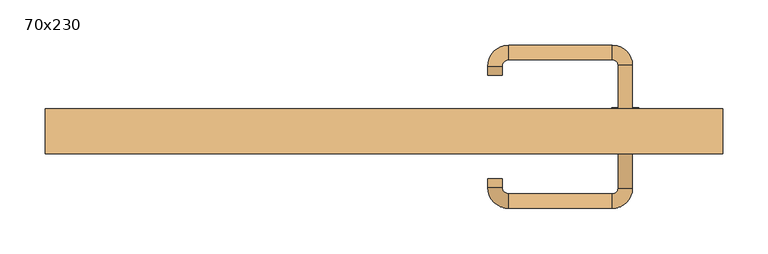
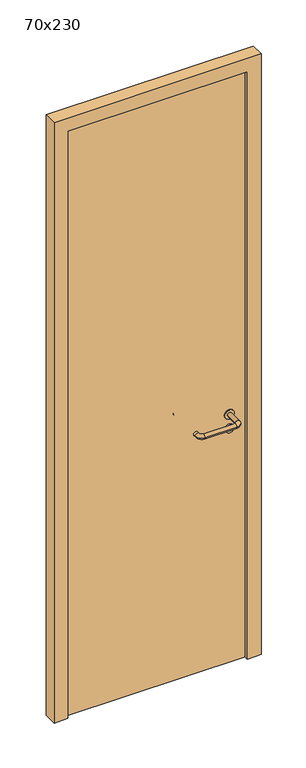
"""IFC4 building model written with IfcOpenShell, lengths in millimetres: door geometry, 70x230."""

from ifc_helpers import new_model, si_unit, point, frame, frame_2d, origin, origin_with_axes, place, context, project, spatial, polyline, circle_curve, ellipse_curve, trimmed, segment, composite_curve, outline, extrude, source, transform, mapped, element, save
from ifc_brep_helpers import plane_surface, cylinder_surface, revolved_surface, advanced_brep


def door_70x230_2275946b(model_context):
    return source(origin(), model_context, "Body", "SolidModel", [
        extrude(outline(composite_curve([segment(trimmed(circle_curve(frame_2d((897.3605726, 267.0)), 15.0), [point((897.3605726, 282.0))], [point((897.3605726, 252.0))], False, "CARTESIAN"), True, "CONTINUOUS"), segment(trimmed(circle_curve(frame_2d((897.3605726, 267.0)), 15.0), [point((897.3605726, 252.0))], [point((897.3605726, 282.0))], False, "CARTESIAN"), True, "CONTINUOUS")], self_intersect=False), holes=[composite_curve([segment(trimmed(circle_curve(frame_2d((892.5833211, 266.9398032)), 2.0), [point((892.5833211, 268.9398032))], [point((892.5833211, 264.9398032))], True, "CARTESIAN"), True, "CONTINUOUS"), segment(polyline([(892.5833211, 264.9398032), (902.5833211, 264.9398032)]), True, "CONTINUOUS"), segment(trimmed(circle_curve(frame_2d((902.5833211, 266.9398032)), 2.0), [point((902.5833211, 264.9398032))], [point((902.5833211, 268.9398032))], True, "CARTESIAN"), True, "CONTINUOUS"), segment(polyline([(902.5833211, 268.9398032), (892.5833211, 268.9398032)]), True, "CONTINUOUS")], self_intersect=False)]), frame((0.0, 18.65, 0.0), z_axis=(0.0, 1.0, 0.0), x_axis=(0.0, 0.0, 1.0)), (0.0, 0.0, 1.0), 6.35),
        extrude(outline(composite_curve([segment(trimmed(circle_curve(frame_2d((950.0, 267.0)), 17.526), [point((950.0, 284.526))], [point((950.0, 249.474))], False, "CARTESIAN"), True, "CONTINUOUS"), segment(trimmed(circle_curve(frame_2d((950.0, 267.0)), 17.526), [point((950.0, 249.474))], [point((950.0, 284.526))], False, "CARTESIAN"), True, "CONTINUOUS")], self_intersect=False)), frame((0.0, 21.825, 0.0), z_axis=(0.0, 1.0, 0.0), x_axis=(0.0, 0.0, 1.0)), (0.0, 0.0, 1.0), 3.175),
        advanced_brep(
        [(275.0, 25.0, 950.0), (259.0, 25.0, 950.0), (259.0, -28.0, 950.0), (275.0, -28.0, 950.0), (252.8578644, -34.1421356, 950.0), (252.8578644, -50.1421356, 950.0), (137.8578644, -34.1421356, 950.0), (137.8578644, -50.1421356, 950.0), (131.008622, -27.2928932, 950.0), (115.008622, -27.2928932, 950.0), (115.008622, -17.2928932, 950.0), (131.008622, -17.2928932, 950.0)],
        [
            (0, 1, circle_curve(frame((267.0, 25.0, 950.0), z_axis=(0.0, 1.0, 0.0), x_axis=(-1.0, 0.0, 0.0)), 8.0)),
            (1, 0, circle_curve(frame((267.0, 25.0, 950.0), z_axis=(0.0, 1.0, 0.0), x_axis=(-1.0, 0.0, 0.0)), 8.0)),
            (1, 2),
            (2, 3, circle_curve(frame((267.0, -28.0, 950.0), z_axis=(0.0, 1.0, 0.0), x_axis=(-1.0, 0.0, 0.0)), 8.0)),
            (3, 0),
            (3, 2, circle_curve(frame((267.0, -28.0, 950.0), z_axis=(0.0, 1.0, 0.0), x_axis=(-1.0, 0.0, 0.0)), 8.0)),
            (4, 5, circle_curve(frame((252.8578644, -42.1421356, 950.0), z_axis=(1.0, 0.0, 0.0), x_axis=(0.0, 1.0, 0.0)), 8.0)),
            (5, 3, circle_curve(frame((252.8578644, -28.0, 950.0), z_axis=(0.0, 0.0, 1.0), x_axis=(1.0, 0.0, 0.0)), 22.1421356)),
            (2, 4, circle_curve(frame((252.8578644, -28.0, 950.0), z_axis=(0.0, 0.0, -1.0), x_axis=(1.0, 0.0, 0.0)), 6.1421356)),
            (5, 4, circle_curve(frame((252.8578644, -42.1421356, 950.0), z_axis=(1.0, 0.0, 0.0), x_axis=(0.0, 1.0, 0.0)), 8.0)),
            (4, 6),
            (6, 7, circle_curve(frame((137.8578644, -42.1421356, 950.0), z_axis=(1.0, 0.0, 0.0), x_axis=(0.0, 1.0, 0.0)), 8.0)),
            (7, 5),
            (7, 6, circle_curve(frame((137.8578644, -42.1421356, 950.0), z_axis=(1.0, 0.0, 0.0), x_axis=(0.0, 1.0, 0.0)), 8.0)),
            (8, 9, circle_curve(frame((123.008622, -27.2928932, 950.0), z_axis=(0.0, -1.0, 0.0), x_axis=(1.0, 0.0, 0.0)), 8.0)),
            (9, 7, circle_curve(frame((137.8578644, -27.2928932, 950.0), z_axis=(0.0, 0.0, 1.0), x_axis=(0.0, -1.0, 0.0)), 22.8492424)),
            (6, 8, circle_curve(frame((137.8578644, -27.2928932, 950.0), z_axis=(0.0, 0.0, -1.0), x_axis=(0.0, -1.0, 0.0)), 6.8492424)),
            (9, 8, circle_curve(frame((123.008622, -27.2928932, 950.0), z_axis=(0.0, -1.0, 0.0), x_axis=(1.0, 0.0, 0.0)), 8.0)),
            (10, 11, circle_curve(frame((123.008622, -17.2928932, 950.0), z_axis=(0.0, 1.0, 0.0), x_axis=(1.0, 0.0, 0.0)), 8.0)),
            (11, 10, circle_curve(frame((123.008622, -17.2928932, 950.0), z_axis=(0.0, 1.0, 0.0), x_axis=(1.0, 0.0, 0.0)), 8.0)),
            (8, 11),
            (10, 9),
        ],
        [
            plane_surface(frame((267.0, 25.0, 170.0), z_axis=(0.0, 1.0, 0.0), x_axis=(0.0, 0.0, 1.0))),
            cylinder_surface(frame((267.0, 25.0, 950.0), z_axis=(0.0, 1.0, 0.0), x_axis=(-1.0, 0.0, 0.0)), 8.0),
            revolved_surface(trimmed(ellipse_curve(frame((267.0, -28.0, 950.0), z_axis=(0.0, -1.0, 0.0), x_axis=(-1.0, 0.0, 0.0)), 8.0, 8.0), [point((275.0, -28.0, 950.0))], [point((259.0, -28.0, 950.0))], True, "CARTESIAN"), (252.8578644, -28.0, 170.0), (0.0, 0.0, 1.0)),
            revolved_surface(trimmed(ellipse_curve(frame((267.0, -28.0, 950.0), z_axis=(0.0, -1.0, 0.0), x_axis=(-1.0, 0.0, 0.0)), 8.0, 8.0), [point((259.0, -28.0, 950.0))], [point((275.0, -28.0, 950.0))], True, "CARTESIAN"), (252.8578644, -28.0, 170.0), (0.0, 0.0, 1.0)),
            cylinder_surface(frame((252.8578644, -42.1421356, 950.0), z_axis=(1.0, 0.0, 0.0), x_axis=(0.0, 1.0, 0.0)), 8.0),
            revolved_surface(trimmed(ellipse_curve(frame((137.8578644, -42.1421356, 950.0), z_axis=(-1.0, 0.0, 0.0), x_axis=(0.0, 1.0, 0.0)), 8.0, 8.0), [point((137.8578644, -50.1421356, 950.0))], [point((137.8578644, -34.1421356, 950.0))], True, "CARTESIAN"), (137.8578644, -27.2928932, 170.0), (0.0, 0.0, 1.0)),
            revolved_surface(trimmed(ellipse_curve(frame((137.8578644, -42.1421356, 950.0), z_axis=(-1.0, 0.0, 0.0), x_axis=(0.0, 1.0, 0.0)), 8.0, 8.0), [point((137.8578644, -34.1421356, 950.0))], [point((137.8578644, -50.1421356, 950.0))], True, "CARTESIAN"), (137.8578644, -27.2928932, 170.0), (0.0, 0.0, 1.0)),
            plane_surface(frame((123.008622, -17.2928932, 170.0), z_axis=(0.0, 1.0, 0.0), x_axis=(0.0, 0.0, 1.0))),
            cylinder_surface(frame((123.008622, -27.2928932, 950.0), z_axis=(0.0, -1.0, 0.0), x_axis=(1.0, 0.0, 0.0)), 8.0),
        ],
        [
            (0, [[1, 2]]),
            (1, [[3, 4, 5, -2]]),
            (1, [[-5, 6, -3, -1]]),
            (2, [[7, 8, -4, 9]]),
            (3, [[10, -9, -6, -8]]),
            (4, [[11, 12, 13, -7]]),
            (4, [[-13, 14, -11, -10]]),
            (5, [[15, 16, -12, 17]]),
            (6, [[18, -17, -14, -16]]),
            (7, [[19, 20]]),
            (8, [[21, -19, 22, -15]]),
            (8, [[-22, -20, -21, -18]]),
        ],
    ),
        extrude(outline(composite_curve([segment(trimmed(circle_curve(frame_2d((0.0, -15.0)), 15.0), [point((0.0, -30.0))], [point((0.0, 0.0))], False, "CARTESIAN"), True, "CONTINUOUS"), segment(trimmed(circle_curve(frame_2d((0.0, -15.0)), 15.0), [point((0.0, 0.0))], [point((0.0, -30.0))], False, "CARTESIAN"), True, "CONTINUOUS")], self_intersect=False), holes=[composite_curve([segment(trimmed(circle_curve(frame_2d((4.7772515, -14.9398032)), 2.0), [point((4.7772515, -16.9398032))], [point((4.7772515, -12.9398032))], True, "CARTESIAN"), True, "CONTINUOUS"), segment(polyline([(4.7772515, -12.9398032), (-5.2227485, -12.9398032)]), True, "CONTINUOUS"), segment(trimmed(circle_curve(frame_2d((-5.2227485, -14.9398032)), 2.0), [point((-5.2227485, -12.9398032))], [point((-5.2227485, -16.9398032))], True, "CARTESIAN"), True, "CONTINUOUS"), segment(polyline([(-5.2227485, -16.9398032), (4.7772515, -16.9398032)]), True, "CONTINUOUS")], self_intersect=False)]), frame((252.0, 55.0, 897.3605726), z_axis=(1.8870575173328306e-12, 1.0, 0.0), x_axis=(0.0, 0.0, -1.0)), (0.0, 0.0, 1.0), 6.35),
        extrude(outline(composite_curve([segment(trimmed(circle_curve(frame_2d((0.0, -17.526)), 17.526), [point((0.0, -35.052))], [point((0.0, 0.0))], False, "CARTESIAN"), True, "CONTINUOUS"), segment(trimmed(circle_curve(frame_2d((0.0, -17.526)), 17.526), [point((0.0, 0.0))], [point((0.0, -35.052))], False, "CARTESIAN"), True, "CONTINUOUS")], self_intersect=False)), frame((249.474, 55.0, 950.0), z_axis=(1.8870575173328306e-12, 1.0, 0.0), x_axis=(0.0, 0.0, -1.0)), (0.0, 0.0, 1.0), 3.175),
        advanced_brep(
        [(275.0, 55.0, 950.0), (259.0, 55.0, 950.0), (275.0, 108.0, 950.0), (259.0, 108.0, 950.0), (252.8578644, 114.1421356, 950.0), (252.8578644, 130.1421356, 950.0), (137.8578644, 130.1421356, 950.0), (137.8578644, 114.1421356, 950.0), (131.008622, 107.2928932, 950.0), (115.008622, 107.2928932, 950.0), (115.008622, 97.2928932, 950.0), (131.008622, 97.2928932, 950.0)],
        [
            (0, 1, circle_curve(frame((267.0, 55.0, 950.0), z_axis=(-1.888672253512351e-12, -1.0, 0.0), x_axis=(-1.0, 1.888672253512351e-12, 0.0)), 8.0)),
            (1, 0, circle_curve(frame((267.0, 55.0, 950.0), z_axis=(-1.888672253512351e-12, -1.0, 0.0), x_axis=(-1.0, 1.888672253512351e-12, 0.0)), 8.0)),
            (0, 2),
            (2, 3, circle_curve(frame((267.0, 108.0, 950.0), z_axis=(-1.888672253512351e-12, -1.0, 0.0), x_axis=(-1.0, 1.888672253512351e-12, 0.0)), 8.0)),
            (3, 1),
            (3, 2, circle_curve(frame((267.0, 108.0, 950.0), z_axis=(-1.888672253512351e-12, -1.0, 0.0), x_axis=(-1.0, 1.888672253512351e-12, 0.0)), 8.0)),
            (4, 3, circle_curve(frame((252.8578644, 108.0, 950.0), z_axis=(0.0, 0.0, -1.0), x_axis=(1.0, -1.880717803715015e-12, 0.0)), 6.1421356)),
            (2, 5, circle_curve(frame((252.8578644, 108.0, 950.0), z_axis=(0.0, 0.0, 1.0), x_axis=(1.0, -1.880717803715015e-12, 0.0)), 22.1421356)),
            (5, 4, circle_curve(frame((252.8578644, 122.1421356, 950.0), z_axis=(1.0, -1.913702061528922e-12, 0.0), x_axis=(-1.913702061528922e-12, -1.0, 0.0)), 8.0)),
            (4, 5, circle_curve(frame((252.8578644, 122.1421356, 950.0), z_axis=(1.0, -1.913702061528922e-12, 0.0), x_axis=(-1.913702061528922e-12, -1.0, 0.0)), 8.0)),
            (5, 6),
            (6, 7, circle_curve(frame((137.8578644, 122.1421356, 950.0), z_axis=(1.0, -1.913719828541269e-12, 0.0), x_axis=(-1.913719828541269e-12, -1.0, 0.0)), 8.0)),
            (7, 4),
            (7, 6, circle_curve(frame((137.8578644, 122.1421356, 950.0), z_axis=(1.0, -1.913719828541269e-12, 0.0), x_axis=(-1.913719828541269e-12, -1.0, 0.0)), 8.0)),
            (8, 7, circle_curve(frame((137.8578644, 107.2928932, 950.0), z_axis=(0.0, 0.0, -1.0), x_axis=(1.9120873253494017e-12, 1.0, 0.0)), 6.8492424)),
            (6, 9, circle_curve(frame((137.8578644, 107.2928932, 950.0), z_axis=(0.0, 0.0, 1.0), x_axis=(1.9120873253494017e-12, 1.0, 0.0)), 22.8492424)),
            (9, 8, circle_curve(frame((123.008622, 107.2928932, 950.0), z_axis=(1.890670654956676e-12, 1.0, 0.0), x_axis=(1.0, -1.890670654956676e-12, 0.0)), 8.0)),
            (8, 9, circle_curve(frame((123.008622, 107.2928932, 950.0), z_axis=(1.890226565746826e-12, 1.0, 0.0), x_axis=(1.0, -1.890226565746826e-12, 0.0)), 8.0)),
            (10, 11, circle_curve(frame((123.008622, 97.2928932, 950.0), z_axis=(-1.8903642334018795e-12, -1.0, 0.0), x_axis=(1.0, -1.8903642334018795e-12, 0.0)), 8.0)),
            (11, 10, circle_curve(frame((123.008622, 97.2928932, 950.0), z_axis=(-1.8903642334018795e-12, -1.0, 0.0), x_axis=(1.0, -1.8903642334018795e-12, 0.0)), 8.0)),
            (9, 10),
            (11, 8),
        ],
        [
            plane_surface(frame((267.0, 55.0, 170.0), z_axis=(-1.8870575173328306e-12, -1.0, 0.0), x_axis=(0.0, 0.0, 1.0))),
            cylinder_surface(frame((267.0, 55.0, 950.0), z_axis=(-1.888672253512351e-12, -1.0, 0.0), x_axis=(-1.0, 1.888672253512351e-12, 0.0)), 8.0),
            revolved_surface(trimmed(ellipse_curve(frame((267.0, 108.0, 950.0), z_axis=(-1.8823325398945356e-12, -1.0, 0.0), x_axis=(-1.0, 1.8823325398945356e-12, 0.0)), 8.0, 8.0), [point((275.0, 108.0, 950.0))], [point((259.0, 108.0, 950.0))], True, "CARTESIAN"), (252.8578644, 108.0, 170.0), (0.0, 0.0, 1.0)),
            revolved_surface(trimmed(ellipse_curve(frame((267.0, 108.0, 950.0), z_axis=(-1.8823325398945356e-12, -1.0, 0.0), x_axis=(-1.0, 1.8823325398945356e-12, 0.0)), 8.0, 8.0), [point((259.0, 108.0, 950.0))], [point((275.0, 108.0, 950.0))], True, "CARTESIAN"), (252.8578644, 108.0, 170.0), (0.0, 0.0, 1.0)),
            cylinder_surface(frame((252.8578644, 122.1421356, 950.0), z_axis=(1.0, -1.913719828541269e-12, 0.0), x_axis=(-1.913719828541269e-12, -1.0, 0.0)), 8.0),
            revolved_surface(trimmed(ellipse_curve(frame((137.8578644, 122.1421356, 950.0), z_axis=(1.0, -1.913702061528922e-12, 0.0), x_axis=(-1.913702061528922e-12, -1.0, 0.0)), 8.0, 8.0), [point((137.8578644, 130.1421356, 950.0))], [point((137.8578644, 114.1421356, 950.0))], True, "CARTESIAN"), (137.8578644, 107.2928932, 170.0), (0.0, 0.0, 1.0)),
            revolved_surface(trimmed(ellipse_curve(frame((137.8578644, 122.1421356, 950.0), z_axis=(1.0, -1.913702061528922e-12, 0.0), x_axis=(-1.913702061528922e-12, -1.0, 0.0)), 8.0, 8.0), [point((137.8578644, 114.1421356, 950.0))], [point((137.8578644, 130.1421356, 950.0))], True, "CARTESIAN"), (137.8578644, 107.2928932, 170.0), (0.0, 0.0, 1.0)),
            plane_surface(frame((123.008622, 97.2928932, 170.0), z_axis=(-1.8887494972223595e-12, -1.0, 0.0), x_axis=(0.0, 0.0, 1.0))),
            cylinder_surface(frame((123.008622, 107.2928932, 950.0), z_axis=(1.8903642334018795e-12, 1.0, 0.0), x_axis=(1.0, -1.8903642334018795e-12, 0.0)), 8.0),
        ],
        [
            (0, [[1, 2]]),
            (1, [[-1, 3, 4, 5]]),
            (1, [[-2, -5, 6, -3]]),
            (2, [[7, -4, 8, 9]]),
            (3, [[-8, -6, -7, 10]]),
            (4, [[-9, 11, 12, 13]]),
            (4, [[-10, -13, 14, -11]]),
            (5, [[15, -12, 16, 17]]),
            (6, [[-16, -14, -15, 18]]),
            (7, [[19, 20]]),
            (8, [[-17, 21, -20, 22]]),
            (8, [[-18, -22, -19, -21]]),
        ],
    ),
        extrude(outline(polyline([(2250.0, 325.0), (0.0, 325.0), (0.0, 375.0), (2300.0, 375.0), (2300.0, -375.0), (0.0, -375.0), (0.0, -325.0), (2250.0, -325.0), (2250.0, 325.0)])), frame((0.0, 10.0, 0.0), z_axis=(0.0, 1.0, 0.0), x_axis=(0.0, 0.0, 1.0)), (0.0, 0.0, 1.0), 50.0),
        extrude(outline(polyline([(-325.0, 55.0), (325.0, 55.0), (325.0, 25.0), (-325.0, 25.0), (-325.0, 55.0)])), origin_with_axes(), (0.0, 0.0, 1.0), 2250.0),
    ])


if __name__ == "__main__":
    model = new_model("IFC4")
    model_context = context("Model", 3, world=origin())
    ifc_project = project(units=[si_unit("LENGTHUNIT", "METRE", prefix="MILLI")], contexts=[model_context])
    site = spatial("IfcSite", under=ifc_project)
    building = spatial("IfcBuilding", under=site)
    placement = place(None, origin())
    door_70x230_shape = door_70x230_2275946b(model_context)
    element("IfcDoor", 1, ObjectType="70x230", at=placement, inside=building, context=model_context, shape_type="MappedRepresentation", body=[
        mapped(door_70x230_shape, transform((0.0, 0.0, 0.0), x_axis=(1.0, 0.0, 0.0), y_axis=(0.0, 1.0, 0.0), z_axis=(0.0, 0.0, 1.0))),
    ])
    save(model, "model.ifc")
